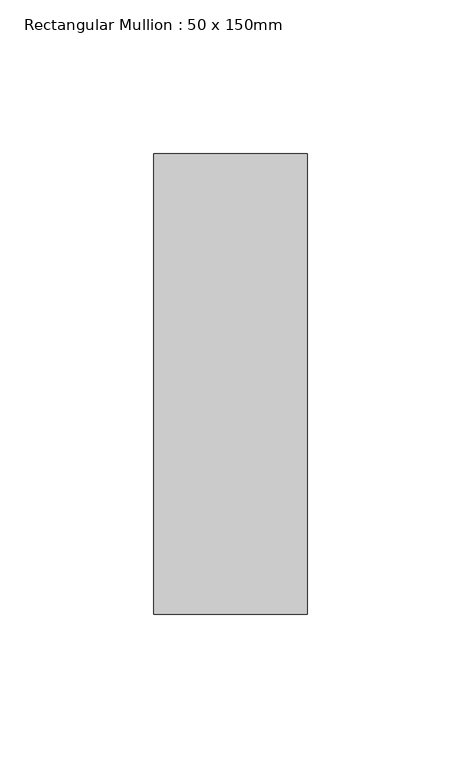
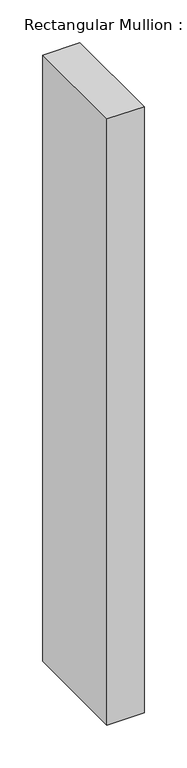
"""IFC4 building model written with IfcOpenShell, lengths in millimetres: member geometry, Rectangular Mullion : 50 x 150mm."""

from ifc_helpers import new_model, si_unit, frame, origin, place, context, project, spatial, polyline, outline, extrude, source, transform, mapped, element, save


def rectangular_mullion_50_x_150mm_d7632448(model_context):
    return source(origin(), model_context, "Body", "SweptSolid", [
        extrude(outline(polyline([(25.0, 75.0), (25.0, -75.0), (-25.0, -75.0), (-25.0, 75.0), (25.0, 75.0)])), frame((0.0, 0.0, -865.1724275), z_axis=(0.0, 0.0, 1.0), x_axis=(1.0, 0.0, 0.0)), (0.0, 0.0, 1.0), 865.1724275),
    ])


if __name__ == "__main__":
    model = new_model("IFC4")
    model_context = context("Model", 3, world=origin())
    ifc_project = project(units=[si_unit("LENGTHUNIT", "METRE", prefix="MILLI")], contexts=[model_context])
    site = spatial("IfcSite", under=ifc_project)
    building = spatial("IfcBuilding", under=site)
    placement = place(None, origin())
    rectangular_mullion_50_x_150mm_shape = rectangular_mullion_50_x_150mm_d7632448(model_context)
    element("IfcMember", 1, ObjectType="Rectangular Mullion : 50 x 150mm", at=placement, inside=building, context=model_context, shape_type="MappedRepresentation", body=[
        mapped(rectangular_mullion_50_x_150mm_shape, transform((0.0, 0.0, 0.0), x_axis=(1.0, 0.0, 0.0), y_axis=(0.0, 1.0, 0.0), z_axis=(0.0, 0.0, 1.0))),
    ])
    save(model, "model.ifc")
